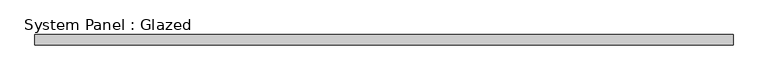
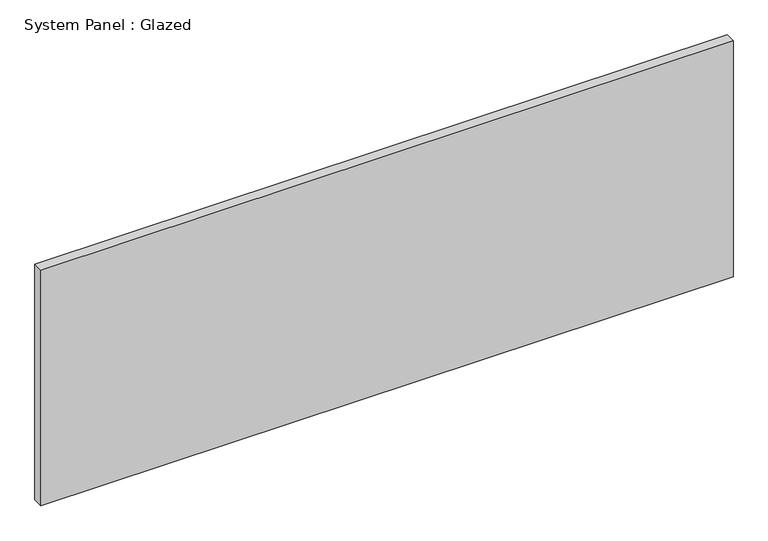
"""IFC4 building model written with IfcOpenShell, lengths in millimetres: plate geometry, System Panel : Glazed."""

import ifcopenshell
import ifcopenshell.guid

model = None  # the IFC model being written
_history = None  # IfcOwnerHistory: only IFC2X3 demands one
_inside = {}  # id of a spatial element -> (the spatial element, [elements in it])
_under = {}  # id of a project, library or spatial element -> (it, [spatial elements below it])
_declared = {}  # id of a project -> (the project, [libraries it declares])
_typed = {}  # id of a type object -> (the type object, [elements of that type])
_made_of = {}  # id of a material, layer set ... -> (it, [elements and type objects made of it])


def new_model(schema):
    """Start an empty IFC model of exactly this schema.

    Asked for "IFC4X3", IfcOpenShell would pick the latest addendum, in which some entities
    have other attributes; the version numbers below select the first issue.
    IFC2X3 requires an IfcOwnerHistory on every rooted entity: one is made here for all.
    """
    global model, _history
    if schema == "IFC4X3":
        model = ifcopenshell.file(schema_version=(4, 3, 0, 0))
    else:
        model = ifcopenshell.file(schema=schema)
    _inside.clear()
    _under.clear()
    _declared.clear()
    _typed.clear()
    _made_of.clear()
    _history = None
    if model.schema == "IFC2X3":
        org = make("IfcOrganization", Name="unknown")
        user = make(
            "IfcPersonAndOrganization",
            ThePerson=make("IfcPerson", FamilyName="unknown"),
            TheOrganization=org,
        )
        app = make(
            "IfcApplication",
            ApplicationDeveloper=org,
            Version="unknown",
            ApplicationFullName="unknown",
            ApplicationIdentifier="unknown",
        )
        _history = make(
            "IfcOwnerHistory",
            OwningUser=user,
            OwningApplication=app,
            ChangeAction="ADDED",
            CreationDate=0,
        )
    return model


def make(cls, **values):
    """One entity of the class cls with the attributes given. An attribute that is None is left unset."""
    return model.create_entity(
        cls, **{name: value for name, value in values.items() if value is not None}
    )


def rooted(cls, **values):
    """An entity with a GlobalId (a new one), such as an element, a storey or a relation."""
    return make(cls, GlobalId=ifcopenshell.guid.new(), OwnerHistory=_history, **values)


def si_unit(unit_type, name, prefix=None):
    """IfcSIUnit, for example si_unit("LENGTHUNIT", "METRE", prefix="MILLI")."""
    return make("IfcSIUnit", UnitType=unit_type, Prefix=prefix, Name=name)


def assignment(units):
    """IfcUnitAssignment: the units of a project."""
    return None if units is None else make("IfcUnitAssignment", Units=units)


def point(xyz):
    """IfcCartesianPoint."""
    return None if xyz is None else make("IfcCartesianPoint", Coordinates=xyz)


def direction(xyz):
    """IfcDirection."""
    return None if xyz is None else make("IfcDirection", DirectionRatios=xyz)


def frame(location, z_axis=None, x_axis=None):
    """IfcAxis2Placement3D, a coordinate frame: its origin and axes. An axis left out is left unset."""
    return make(
        "IfcAxis2Placement3D",
        Location=point(location),
        Axis=direction(z_axis),
        RefDirection=direction(x_axis),
    )


def origin():
    """The frame at (0, 0, 0) with its axes left unset."""
    return frame((0.0, 0.0, 0.0))


def origin_with_axes():
    """The frame at (0, 0, 0) with the z axis (0, 0, 1) and the x axis (1, 0, 0) written out."""
    return frame((0.0, 0.0, 0.0), z_axis=(0.0, 0.0, 1.0), x_axis=(1.0, 0.0, 0.0))


def place(relative_to, where):
    """IfcLocalPlacement: puts the frame where relative to a parent placement (None: the world)."""
    return make(
        "IfcLocalPlacement", PlacementRelTo=relative_to, RelativePlacement=where
    )


def context(
    kind, dimensions, precision=None, world=None, true_north=None, identifier=None
):
    """IfcGeometricRepresentationContext, for example the 3D "Model" context."""
    return make(
        "IfcGeometricRepresentationContext",
        ContextIdentifier=identifier,
        ContextType=kind,
        CoordinateSpaceDimension=dimensions,
        Precision=precision,
        WorldCoordinateSystem=world,
        TrueNorth=true_north,
    )


def project(units=None, contexts=None):
    """IfcProject with its units and contexts."""
    return rooted(
        "IfcProject",
        Name="project",
        RepresentationContexts=contexts,
        UnitsInContext=assignment(units),
    )


def spatial(cls, under=None, at=None, **own):
    """A site, building, storey or space (cls), placed at a placement, below another one or the project."""
    s = rooted(cls, ObjectPlacement=at, **own)
    if under is not None:
        _under.setdefault(under.id(), (under, []))[1].append(s)
    return s


def polyline(points):
    """IfcPolyline through the points."""
    return make("IfcPolyline", Points=[point(p) for p in points])


def outline(outer, holes=None, kind="AREA"):
    """IfcArbitraryClosedProfileDef: a profile drawn as a closed curve; with holes, ...WithVoids."""
    if holes is None:
        return make("IfcArbitraryClosedProfileDef", ProfileType=kind, OuterCurve=outer)
    return make(
        "IfcArbitraryProfileDefWithVoids",
        ProfileType=kind,
        OuterCurve=outer,
        InnerCurves=holes,
    )


def extrude(swept, where, along, depth):
    """IfcExtrudedAreaSolid: the profile swept, set in the frame where, extruded along a direction by depth."""
    return make(
        "IfcExtrudedAreaSolid",
        SweptArea=swept,
        Position=where,
        ExtrudedDirection=direction(along),
        Depth=depth,
    )


def shape(context_of_items, identifier, shape_type, items):
    """IfcShapeRepresentation: the items that make up one representation, for example the "Body"."""
    return make(
        "IfcShapeRepresentation",
        ContextOfItems=context_of_items,
        RepresentationIdentifier=identifier,
        RepresentationType=shape_type,
        Items=items,
    )


def source(mapping_origin, context_of_items, identifier, shape_type, items):
    """IfcRepresentationMap: a shape defined once, which mapped items show again and again."""
    return make(
        "IfcRepresentationMap",
        MappingOrigin=mapping_origin,
        MappedRepresentation=shape(context_of_items, identifier, shape_type, items),
    )


def transform(
    local_origin,
    x_axis=None,
    y_axis=None,
    z_axis=None,
    scale=None,
    scale2=None,
    scale3=None,
    uniform=True,
):
    """IfcCartesianTransformationOperator3D, or its non-uniform kind. x_axis, y_axis, z_axis: its Axis1, 2, 3."""
    if uniform:
        return make(
            "IfcCartesianTransformationOperator3D",
            Axis1=direction(x_axis),
            Axis2=direction(y_axis),
            LocalOrigin=point(local_origin),
            Scale=scale,
            Axis3=direction(z_axis),
        )
    return make(
        "IfcCartesianTransformationOperator3DnonUniform",
        Axis1=direction(x_axis),
        Axis2=direction(y_axis),
        LocalOrigin=point(local_origin),
        Scale=scale,
        Axis3=direction(z_axis),
        Scale2=scale2,
        Scale3=scale3,
    )


def mapped(mapping_source, mapping_target):
    """IfcMappedItem: shows the shape of a source again, moved by a transform."""
    return make(
        "IfcMappedItem", MappingSource=mapping_source, MappingTarget=mapping_target
    )


def made_of(thing, what):
    """Note that an element or type object is made of a material, layer set ...; save() writes the relation."""
    if what is not None:
        _made_of.setdefault(what.id(), (what, []))[1].append(thing)
    return thing


def element(
    cls,
    number,
    at=None,
    inside=None,
    cuts=None,
    type_object=None,
    material=None,
    context=None,
    identifier="Body",
    shape_type=None,
    held_by="IfcProductDefinitionShape",
    body=None,
    shapes=None,
    **own,
):
    """One element of the class cls, such as IfcWall. Its Tag is "e" and its number.

    at: its placement. inside: the storey or other place that contains it. cuts: it is an
    opening in that element (IfcRelVoidsElement). A single representation is given by context,
    identifier, shape_type and body (its items); several are given by shapes. held_by: the class
    of the entity that holds the representations. save() writes the other relations.
    """
    e = rooted(cls, Tag="e%d" % number, ObjectPlacement=at, **own)
    if body is not None:
        shapes = [shape(context, identifier, shape_type, body)]
    if shapes is not None:
        e.Representation = make(held_by, Representations=shapes)
    if inside is not None:
        _inside.setdefault(inside.id(), (inside, []))[1].append(e)
    if cuts is not None:
        rooted(
            "IfcRelVoidsElement", RelatingBuildingElement=cuts, RelatedOpeningElement=e
        )
    if type_object is not None:
        _typed.setdefault(type_object.id(), (type_object, []))[1].append(e)
    return made_of(e, material)


def aggregate(whole, parts):
    """IfcRelAggregates: a whole, such as a stair, and the parts it consists of."""
    return rooted("IfcRelAggregates", RelatingObject=whole, RelatedObjects=parts)


def save(model, path):
    """Write the relations noted so far, then the file.

    IfcRelAggregates (storeys below a building ...), IfcRelContainedInSpatialStructure (elements
    in a storey), IfcRelDefinesByType, IfcRelAssociatesMaterial and IfcRelDeclares: one each for
    every whole, place, type object, material and project.
    """
    for whole, parts in _under.values():
        aggregate(whole, parts)
    for where, things in _inside.values():
        rooted(
            "IfcRelContainedInSpatialStructure",
            RelatedElements=things,
            RelatingStructure=where,
        )
    for kind, things in _typed.values():
        rooted("IfcRelDefinesByType", RelatedObjects=things, RelatingType=kind)
    for what, things in _made_of.values():
        rooted("IfcRelAssociatesMaterial", RelatedObjects=things, RelatingMaterial=what)
    for by, libraries in _declared.values():
        rooted("IfcRelDeclares", RelatingContext=by, RelatedDefinitions=libraries)
    model.write(path)


def system_panel_glazed_61514e42(model_context):
    return source(origin(), model_context, "Body", "SweptSolid", [
        extrude(outline(polyline([(846.8295473, 19.05), (-846.8295473, 19.05), (-846.8295473, 44.45), (846.8295473, 44.45), (846.8295473, 19.05)])), origin_with_axes(), (0.0, 0.0, 1.0), 609.6),
    ])


if __name__ == "__main__":
    model = new_model("IFC4")
    model_context = context("Model", 3, world=origin())
    ifc_project = project(units=[si_unit("LENGTHUNIT", "METRE", prefix="MILLI")], contexts=[model_context])
    site = spatial("IfcSite", under=ifc_project)
    building = spatial("IfcBuilding", under=site)
    placement = place(None, origin())
    system_panel_glazed_shape = system_panel_glazed_61514e42(model_context)
    element("IfcPlate", 1, ObjectType="System Panel : Glazed", at=placement, inside=building, context=model_context, shape_type="MappedRepresentation", body=[
        mapped(system_panel_glazed_shape, transform((0.0, 0.0, 0.0), x_axis=(1.0, 0.0, 0.0), y_axis=(0.0, 1.0, 0.0), z_axis=(0.0, 0.0, 1.0))),
    ])
    save(model, "model.ifc")
